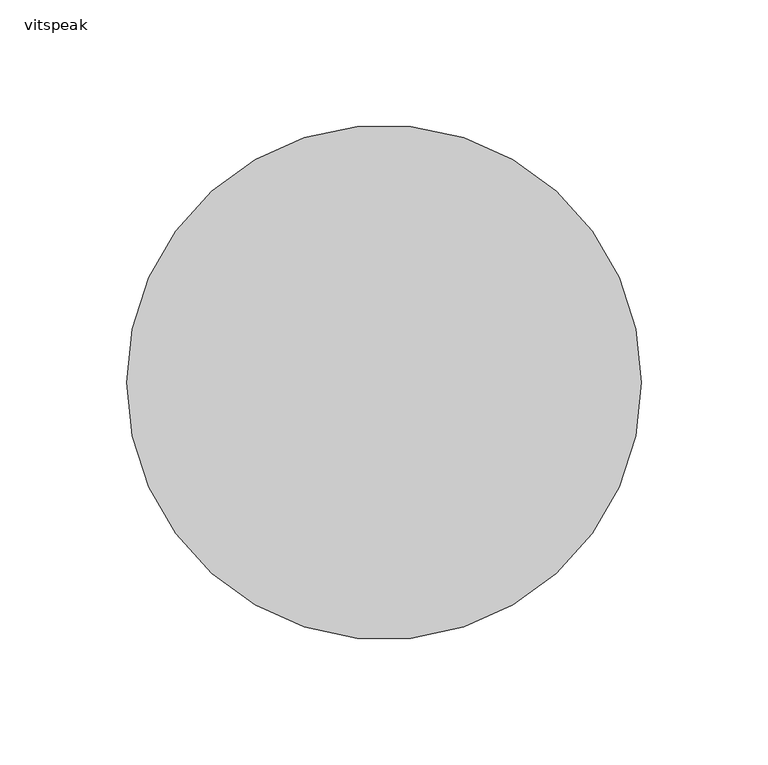
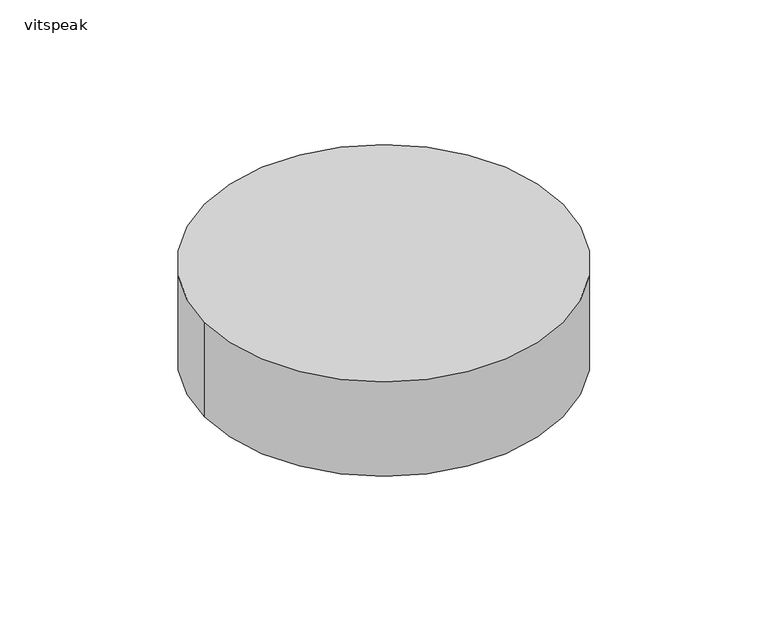
"""IFC4 building model written with IfcOpenShell, lengths in millimetres: proxy geometry, vitspeak."""

from ifc_helpers import new_model, si_unit, point, frame, frame_2d, origin, place, context, project, spatial, circle_curve, trimmed, segment, composite_curve, outline, extrude, source, transform, mapped, element, save


def vitspeak_c31d93b0(model_context):
    return source(origin(), model_context, "Body", "SweptSolid", [
        extrude(outline(composite_curve([segment(trimmed(circle_curve(frame_2d((186.6920393, -316.3087595)), 101.6), [point((85.0920393, -316.3087595))], [point((288.2920393, -316.3087595))], False, "CARTESIAN"), True, "CONTINUOUS"), segment(trimmed(circle_curve(frame_2d((186.6920393, -316.3087595)), 101.6), [point((288.2920393, -316.3087595))], [point((85.0920393, -316.3087595))], False, "CARTESIAN"), True, "CONTINUOUS")], self_intersect=False)), frame((0.0, 0.0, 3048.0), z_axis=(0.0, 0.0, 1.0), x_axis=(1.0, 0.0, 0.0)), (0.0, 0.0, 1.0), 56.6426964),
    ])


if __name__ == "__main__":
    model = new_model("IFC4")
    model_context = context("Model", 3, world=origin())
    ifc_project = project(units=[si_unit("LENGTHUNIT", "METRE", prefix="MILLI")], contexts=[model_context])
    site = spatial("IfcSite", under=ifc_project)
    building = spatial("IfcBuilding", under=site)
    placement = place(None, origin())
    vitspeak_shape = vitspeak_c31d93b0(model_context)
    element("IfcBuildingElementProxy", 1, Name="vitspeak", ObjectType="vitspeak", at=placement, inside=building, context=model_context, shape_type="MappedRepresentation", body=[
        mapped(vitspeak_shape, transform((0.0, 0.0, 0.0), x_axis=(1.0, 0.0, 0.0), y_axis=(0.0, 1.0, 0.0), z_axis=(0.0, 0.0, 1.0))),
    ])
    save(model, "model.ifc")
